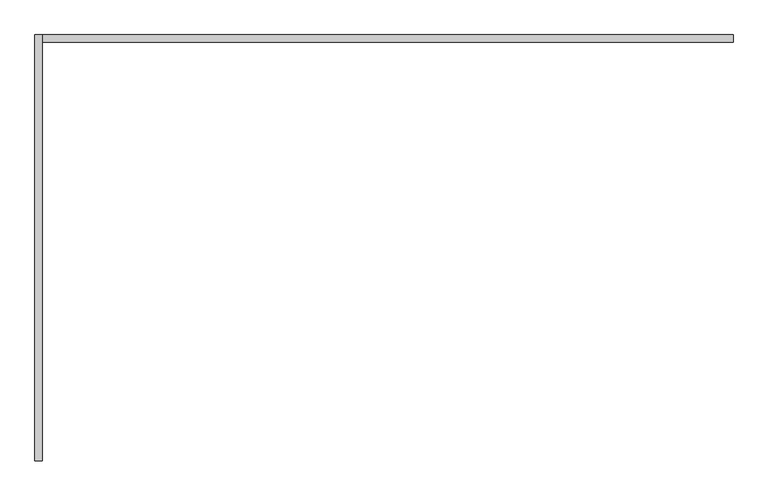
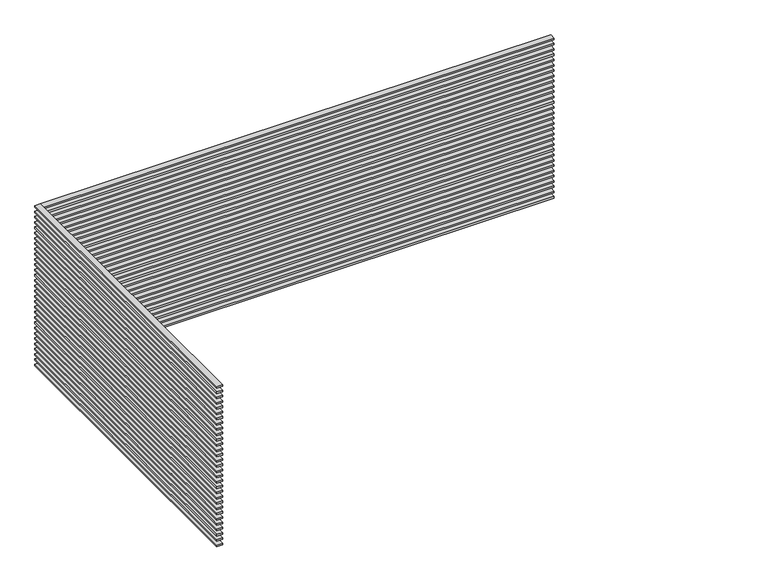
"""IFC4 building model written with IfcOpenShell, lengths in millimetres: proxy geometry."""

import ifcopenshell
import ifcopenshell.guid

model = None  # the IFC model being written
_history = None  # IfcOwnerHistory: only IFC2X3 demands one
_inside = {}  # id of a spatial element -> (the spatial element, [elements in it])
_under = {}  # id of a project, library or spatial element -> (it, [spatial elements below it])
_declared = {}  # id of a project -> (the project, [libraries it declares])
_typed = {}  # id of a type object -> (the type object, [elements of that type])
_made_of = {}  # id of a material, layer set ... -> (it, [elements and type objects made of it])


def new_model(schema):
    """Start an empty IFC model of exactly this schema.

    Asked for "IFC4X3", IfcOpenShell would pick the latest addendum, in which some entities
    have other attributes; the version numbers below select the first issue.
    IFC2X3 requires an IfcOwnerHistory on every rooted entity: one is made here for all.
    """
    global model, _history
    if schema == "IFC4X3":
        model = ifcopenshell.file(schema_version=(4, 3, 0, 0))
    else:
        model = ifcopenshell.file(schema=schema)
    _inside.clear()
    _under.clear()
    _declared.clear()
    _typed.clear()
    _made_of.clear()
    _history = None
    if model.schema == "IFC2X3":
        org = make("IfcOrganization", Name="unknown")
        user = make(
            "IfcPersonAndOrganization",
            ThePerson=make("IfcPerson", FamilyName="unknown"),
            TheOrganization=org,
        )
        app = make(
            "IfcApplication",
            ApplicationDeveloper=org,
            Version="unknown",
            ApplicationFullName="unknown",
            ApplicationIdentifier="unknown",
        )
        _history = make(
            "IfcOwnerHistory",
            OwningUser=user,
            OwningApplication=app,
            ChangeAction="ADDED",
            CreationDate=0,
        )
    return model


def make(cls, **values):
    """One entity of the class cls with the attributes given. An attribute that is None is left unset."""
    return model.create_entity(
        cls, **{name: value for name, value in values.items() if value is not None}
    )


def rooted(cls, **values):
    """An entity with a GlobalId (a new one), such as an element, a storey or a relation."""
    return make(cls, GlobalId=ifcopenshell.guid.new(), OwnerHistory=_history, **values)


def si_unit(unit_type, name, prefix=None):
    """IfcSIUnit, for example si_unit("LENGTHUNIT", "METRE", prefix="MILLI")."""
    return make("IfcSIUnit", UnitType=unit_type, Prefix=prefix, Name=name)


def assignment(units):
    """IfcUnitAssignment: the units of a project."""
    return None if units is None else make("IfcUnitAssignment", Units=units)


def point(xyz):
    """IfcCartesianPoint."""
    return None if xyz is None else make("IfcCartesianPoint", Coordinates=xyz)


def direction(xyz):
    """IfcDirection."""
    return None if xyz is None else make("IfcDirection", DirectionRatios=xyz)


def frame(location, z_axis=None, x_axis=None):
    """IfcAxis2Placement3D, a coordinate frame: its origin and axes. An axis left out is left unset."""
    return make(
        "IfcAxis2Placement3D",
        Location=point(location),
        Axis=direction(z_axis),
        RefDirection=direction(x_axis),
    )


def origin():
    """The frame at (0, 0, 0) with its axes left unset."""
    return frame((0.0, 0.0, 0.0))


def place(relative_to, where):
    """IfcLocalPlacement: puts the frame where relative to a parent placement (None: the world)."""
    return make(
        "IfcLocalPlacement", PlacementRelTo=relative_to, RelativePlacement=where
    )


def context(
    kind, dimensions, precision=None, world=None, true_north=None, identifier=None
):
    """IfcGeometricRepresentationContext, for example the 3D "Model" context."""
    return make(
        "IfcGeometricRepresentationContext",
        ContextIdentifier=identifier,
        ContextType=kind,
        CoordinateSpaceDimension=dimensions,
        Precision=precision,
        WorldCoordinateSystem=world,
        TrueNorth=true_north,
    )


def project(units=None, contexts=None):
    """IfcProject with its units and contexts."""
    return rooted(
        "IfcProject",
        Name="project",
        RepresentationContexts=contexts,
        UnitsInContext=assignment(units),
    )


def spatial(cls, under=None, at=None, **own):
    """A site, building, storey or space (cls), placed at a placement, below another one or the project."""
    s = rooted(cls, ObjectPlacement=at, **own)
    if under is not None:
        _under.setdefault(under.id(), (under, []))[1].append(s)
    return s


def polyline(points):
    """IfcPolyline through the points."""
    return make("IfcPolyline", Points=[point(p) for p in points])


def outline(outer, holes=None, kind="AREA"):
    """IfcArbitraryClosedProfileDef: a profile drawn as a closed curve; with holes, ...WithVoids."""
    if holes is None:
        return make("IfcArbitraryClosedProfileDef", ProfileType=kind, OuterCurve=outer)
    return make(
        "IfcArbitraryProfileDefWithVoids",
        ProfileType=kind,
        OuterCurve=outer,
        InnerCurves=holes,
    )


def extrude(swept, where, along, depth):
    """IfcExtrudedAreaSolid: the profile swept, set in the frame where, extruded along a direction by depth."""
    return make(
        "IfcExtrudedAreaSolid",
        SweptArea=swept,
        Position=where,
        ExtrudedDirection=direction(along),
        Depth=depth,
    )


def shape(context_of_items, identifier, shape_type, items):
    """IfcShapeRepresentation: the items that make up one representation, for example the "Body"."""
    return make(
        "IfcShapeRepresentation",
        ContextOfItems=context_of_items,
        RepresentationIdentifier=identifier,
        RepresentationType=shape_type,
        Items=items,
    )


def source(mapping_origin, context_of_items, identifier, shape_type, items):
    """IfcRepresentationMap: a shape defined once, which mapped items show again and again."""
    return make(
        "IfcRepresentationMap",
        MappingOrigin=mapping_origin,
        MappedRepresentation=shape(context_of_items, identifier, shape_type, items),
    )


def transform(
    local_origin,
    x_axis=None,
    y_axis=None,
    z_axis=None,
    scale=None,
    scale2=None,
    scale3=None,
    uniform=True,
):
    """IfcCartesianTransformationOperator3D, or its non-uniform kind. x_axis, y_axis, z_axis: its Axis1, 2, 3."""
    if uniform:
        return make(
            "IfcCartesianTransformationOperator3D",
            Axis1=direction(x_axis),
            Axis2=direction(y_axis),
            LocalOrigin=point(local_origin),
            Scale=scale,
            Axis3=direction(z_axis),
        )
    return make(
        "IfcCartesianTransformationOperator3DnonUniform",
        Axis1=direction(x_axis),
        Axis2=direction(y_axis),
        LocalOrigin=point(local_origin),
        Scale=scale,
        Axis3=direction(z_axis),
        Scale2=scale2,
        Scale3=scale3,
    )


def mapped(mapping_source, mapping_target):
    """IfcMappedItem: shows the shape of a source again, moved by a transform."""
    return make(
        "IfcMappedItem", MappingSource=mapping_source, MappingTarget=mapping_target
    )


def made_of(thing, what):
    """Note that an element or type object is made of a material, layer set ...; save() writes the relation."""
    if what is not None:
        _made_of.setdefault(what.id(), (what, []))[1].append(thing)
    return thing


def element(
    cls,
    number,
    at=None,
    inside=None,
    cuts=None,
    type_object=None,
    material=None,
    context=None,
    identifier="Body",
    shape_type=None,
    held_by="IfcProductDefinitionShape",
    body=None,
    shapes=None,
    **own,
):
    """One element of the class cls, such as IfcWall. Its Tag is "e" and its number.

    at: its placement. inside: the storey or other place that contains it. cuts: it is an
    opening in that element (IfcRelVoidsElement). A single representation is given by context,
    identifier, shape_type and body (its items); several are given by shapes. held_by: the class
    of the entity that holds the representations. save() writes the other relations.
    """
    e = rooted(cls, Tag="e%d" % number, ObjectPlacement=at, **own)
    if body is not None:
        shapes = [shape(context, identifier, shape_type, body)]
    if shapes is not None:
        e.Representation = make(held_by, Representations=shapes)
    if inside is not None:
        _inside.setdefault(inside.id(), (inside, []))[1].append(e)
    if cuts is not None:
        rooted(
            "IfcRelVoidsElement", RelatingBuildingElement=cuts, RelatedOpeningElement=e
        )
    if type_object is not None:
        _typed.setdefault(type_object.id(), (type_object, []))[1].append(e)
    return made_of(e, material)


def aggregate(whole, parts):
    """IfcRelAggregates: a whole, such as a stair, and the parts it consists of."""
    return rooted("IfcRelAggregates", RelatingObject=whole, RelatedObjects=parts)


def save(model, path):
    """Write the relations noted so far, then the file.

    IfcRelAggregates (storeys below a building ...), IfcRelContainedInSpatialStructure (elements
    in a storey), IfcRelDefinesByType, IfcRelAssociatesMaterial and IfcRelDeclares: one each for
    every whole, place, type object, material and project.
    """
    for whole, parts in _under.values():
        aggregate(whole, parts)
    for where, things in _inside.values():
        rooted(
            "IfcRelContainedInSpatialStructure",
            RelatedElements=things,
            RelatingStructure=where,
        )
    for kind, things in _typed.values():
        rooted("IfcRelDefinesByType", RelatedObjects=things, RelatingType=kind)
    for what, things in _made_of.values():
        rooted("IfcRelAssociatesMaterial", RelatedObjects=things, RelatingMaterial=what)
    for by, libraries in _declared.values():
        rooted("IfcRelDeclares", RelatingContext=by, RelatedDefinitions=libraries)
    model.write(path)


def generic_models_b61f9f31(model_context):
    return source(origin(), model_context, "Body", "SweptSolid", [
        extrude(outline(polyline([(-200.0, -5650.0), (-300.0, -5650.0), (-300.0, 0.0), (-200.0, 0.0), (-200.0, -5650.0)])), frame((0.0, 0.0, 2985.0), z_axis=(0.0, 0.0, 1.0), x_axis=(1.0, 0.0, 0.0)), (0.0, 0.0, 1.0), 30.0),
        extrude(outline(polyline([(-200.0, -5650.0), (-300.0, -5650.0), (-300.0, 0.0), (-200.0, 0.0), (-200.0, -5650.0)])), frame((0.0, 0.0, 2885.0), z_axis=(0.0, 0.0, 1.0), x_axis=(1.0, 0.0, 0.0)), (0.0, 0.0, 1.0), 30.0),
        extrude(outline(polyline([(-200.0, -5650.0), (-300.0, -5650.0), (-300.0, 0.0), (-200.0, 0.0), (-200.0, -5650.0)])), frame((0.0, 0.0, 2785.0), z_axis=(0.0, 0.0, 1.0), x_axis=(1.0, 0.0, 0.0)), (0.0, 0.0, 1.0), 30.0),
        extrude(outline(polyline([(-200.0, -5650.0), (-300.0, -5650.0), (-300.0, 0.0), (-200.0, 0.0), (-200.0, -5650.0)])), frame((0.0, 0.0, 2685.0), z_axis=(0.0, 0.0, 1.0), x_axis=(1.0, 0.0, 0.0)), (0.0, 0.0, 1.0), 30.0),
        extrude(outline(polyline([(-200.0, -5650.0), (-300.0, -5650.0), (-300.0, 0.0), (-200.0, 0.0), (-200.0, -5650.0)])), frame((0.0, 0.0, 2585.0), z_axis=(0.0, 0.0, 1.0), x_axis=(1.0, 0.0, 0.0)), (0.0, 0.0, 1.0), 30.0),
        extrude(outline(polyline([(-200.0, -5650.0), (-300.0, -5650.0), (-300.0, 0.0), (-200.0, 0.0), (-200.0, -5650.0)])), frame((0.0, 0.0, 2485.0), z_axis=(0.0, 0.0, 1.0), x_axis=(1.0, 0.0, 0.0)), (0.0, 0.0, 1.0), 30.0),
        extrude(outline(polyline([(-200.0, -5650.0), (-300.0, -5650.0), (-300.0, 0.0), (-200.0, 0.0), (-200.0, -5650.0)])), frame((0.0, 0.0, 2385.0), z_axis=(0.0, 0.0, 1.0), x_axis=(1.0, 0.0, 0.0)), (0.0, 0.0, 1.0), 30.0),
        extrude(outline(polyline([(-200.0, -5650.0), (-300.0, -5650.0), (-300.0, 0.0), (-200.0, 0.0), (-200.0, -5650.0)])), frame((0.0, 0.0, 2285.0), z_axis=(0.0, 0.0, 1.0), x_axis=(1.0, 0.0, 0.0)), (0.0, 0.0, 1.0), 30.0),
        extrude(outline(polyline([(-200.0, -5650.0), (-300.0, -5650.0), (-300.0, 0.0), (-200.0, 0.0), (-200.0, -5650.0)])), frame((0.0, 0.0, 2185.0), z_axis=(0.0, 0.0, 1.0), x_axis=(1.0, 0.0, 0.0)), (0.0, 0.0, 1.0), 30.0),
        extrude(outline(polyline([(-200.0, -5650.0), (-300.0, -5650.0), (-300.0, 0.0), (-200.0, 0.0), (-200.0, -5650.0)])), frame((0.0, 0.0, 2085.0), z_axis=(0.0, 0.0, 1.0), x_axis=(1.0, 0.0, 0.0)), (0.0, 0.0, 1.0), 30.0),
        extrude(outline(polyline([(-200.0, -5650.0), (-300.0, -5650.0), (-300.0, 0.0), (-200.0, 0.0), (-200.0, -5650.0)])), frame((0.0, 0.0, 1985.0), z_axis=(0.0, 0.0, 1.0), x_axis=(1.0, 0.0, 0.0)), (0.0, 0.0, 1.0), 30.0),
        extrude(outline(polyline([(-200.0, -5650.0), (-300.0, -5650.0), (-300.0, 0.0), (-200.0, 0.0), (-200.0, -5650.0)])), frame((0.0, 0.0, 1885.0), z_axis=(0.0, 0.0, 1.0), x_axis=(1.0, 0.0, 0.0)), (0.0, 0.0, 1.0), 30.0),
        extrude(outline(polyline([(-200.0, -5650.0), (-300.0, -5650.0), (-300.0, 0.0), (-200.0, 0.0), (-200.0, -5650.0)])), frame((0.0, 0.0, 1785.0), z_axis=(0.0, 0.0, 1.0), x_axis=(1.0, 0.0, 0.0)), (0.0, 0.0, 1.0), 30.0),
        extrude(outline(polyline([(-200.0, -5650.0), (-300.0, -5650.0), (-300.0, 0.0), (-200.0, 0.0), (-200.0, -5650.0)])), frame((0.0, 0.0, 1685.0), z_axis=(0.0, 0.0, 1.0), x_axis=(1.0, 0.0, 0.0)), (0.0, 0.0, 1.0), 30.0),
        extrude(outline(polyline([(-200.0, -5650.0), (-300.0, -5650.0), (-300.0, 0.0), (-200.0, 0.0), (-200.0, -5650.0)])), frame((0.0, 0.0, 1585.0), z_axis=(0.0, 0.0, 1.0), x_axis=(1.0, 0.0, 0.0)), (0.0, 0.0, 1.0), 30.0),
        extrude(outline(polyline([(-200.0, -5650.0), (-300.0, -5650.0), (-300.0, 0.0), (-200.0, 0.0), (-200.0, -5650.0)])), frame((0.0, 0.0, 1485.0), z_axis=(0.0, 0.0, 1.0), x_axis=(1.0, 0.0, 0.0)), (0.0, 0.0, 1.0), 30.0),
        extrude(outline(polyline([(-200.0, -5650.0), (-300.0, -5650.0), (-300.0, 0.0), (-200.0, 0.0), (-200.0, -5650.0)])), frame((0.0, 0.0, 1385.0), z_axis=(0.0, 0.0, 1.0), x_axis=(1.0, 0.0, 0.0)), (0.0, 0.0, 1.0), 30.0),
        extrude(outline(polyline([(-200.0, -5650.0), (-300.0, -5650.0), (-300.0, 0.0), (-200.0, 0.0), (-200.0, -5650.0)])), frame((0.0, 0.0, 1285.0), z_axis=(0.0, 0.0, 1.0), x_axis=(1.0, 0.0, 0.0)), (0.0, 0.0, 1.0), 30.0),
        extrude(outline(polyline([(-200.0, -5650.0), (-300.0, -5650.0), (-300.0, 0.0), (-200.0, 0.0), (-200.0, -5650.0)])), frame((0.0, 0.0, 1185.0), z_axis=(0.0, 0.0, 1.0), x_axis=(1.0, 0.0, 0.0)), (0.0, 0.0, 1.0), 30.0),
        extrude(outline(polyline([(-200.0, -5650.0), (-300.0, -5650.0), (-300.0, 0.0), (-200.0, 0.0), (-200.0, -5650.0)])), frame((0.0, 0.0, 1085.0), z_axis=(0.0, 0.0, 1.0), x_axis=(1.0, 0.0, 0.0)), (0.0, 0.0, 1.0), 30.0),
        extrude(outline(polyline([(-200.0, -5650.0), (-300.0, -5650.0), (-300.0, 0.0), (-200.0, 0.0), (-200.0, -5650.0)])), frame((0.0, 0.0, 985.0), z_axis=(0.0, 0.0, 1.0), x_axis=(1.0, 0.0, 0.0)), (0.0, 0.0, 1.0), 30.0),
        extrude(outline(polyline([(-200.0, -5650.0), (-300.0, -5650.0), (-300.0, 0.0), (-200.0, 0.0), (-200.0, -5650.0)])), frame((0.0, 0.0, 885.0), z_axis=(0.0, 0.0, 1.0), x_axis=(1.0, 0.0, 0.0)), (0.0, 0.0, 1.0), 30.0),
        extrude(outline(polyline([(-200.0, -5650.0), (-300.0, -5650.0), (-300.0, 0.0), (-200.0, 0.0), (-200.0, -5650.0)])), frame((0.0, 0.0, 785.0), z_axis=(0.0, 0.0, 1.0), x_axis=(1.0, 0.0, 0.0)), (0.0, 0.0, 1.0), 30.0),
        extrude(outline(polyline([(-200.0, -5650.0), (-300.0, -5650.0), (-300.0, 0.0), (-200.0, 0.0), (-200.0, -5650.0)])), frame((0.0, 0.0, 685.0), z_axis=(0.0, 0.0, 1.0), x_axis=(1.0, 0.0, 0.0)), (0.0, 0.0, 1.0), 30.0),
        extrude(outline(polyline([(-200.0, -5650.0), (-300.0, -5650.0), (-300.0, 0.0), (-200.0, 0.0), (-200.0, -5650.0)])), frame((0.0, 0.0, 585.0), z_axis=(0.0, 0.0, 1.0), x_axis=(1.0, 0.0, 0.0)), (0.0, 0.0, 1.0), 30.0),
        extrude(outline(polyline([(-200.0, -5650.0), (-300.0, -5650.0), (-300.0, 0.0), (-200.0, 0.0), (-200.0, -5650.0)])), frame((0.0, 0.0, 485.0), z_axis=(0.0, 0.0, 1.0), x_axis=(1.0, 0.0, 0.0)), (0.0, 0.0, 1.0), 30.0),
        extrude(outline(polyline([(-200.0, -5650.0), (-300.0, -5650.0), (-300.0, 0.0), (-200.0, 0.0), (-200.0, -5650.0)])), frame((0.0, 0.0, 385.0), z_axis=(0.0, 0.0, 1.0), x_axis=(1.0, 0.0, 0.0)), (0.0, 0.0, 1.0), 30.0),
        extrude(outline(polyline([(-200.0, -5650.0), (-300.0, -5650.0), (-300.0, 0.0), (-200.0, 0.0), (-200.0, -5650.0)])), frame((0.0, 0.0, 285.0), z_axis=(0.0, 0.0, 1.0), x_axis=(1.0, 0.0, 0.0)), (0.0, 0.0, 1.0), 30.0),
        extrude(outline(polyline([(-200.0, -5650.0), (-300.0, -5650.0), (-300.0, 0.0), (-200.0, 0.0), (-200.0, -5650.0)])), frame((0.0, 0.0, 185.0), z_axis=(0.0, 0.0, 1.0), x_axis=(1.0, 0.0, 0.0)), (0.0, 0.0, 1.0), 30.0),
        extrude(outline(polyline([(-200.0, -5650.0), (-300.0, -5650.0), (-300.0, 0.0), (-200.0, 0.0), (-200.0, -5650.0)])), frame((0.0, 0.0, 85.0), z_axis=(0.0, 0.0, 1.0), x_axis=(1.0, 0.0, 0.0)), (0.0, 0.0, 1.0), 30.0),
        extrude(outline(polyline([(-200.0, -5650.0), (-300.0, -5650.0), (-300.0, 0.0), (-200.0, 0.0), (-200.0, -5650.0)])), frame((0.0, 0.0, -15.0), z_axis=(0.0, 0.0, 1.0), x_axis=(1.0, 0.0, 0.0)), (0.0, 0.0, 1.0), 30.0),
        extrude(outline(polyline([(-200.0, -100.0), (-200.0, 0.0), (8950.0, 0.0), (8950.0, -100.0), (-200.0, -100.0)])), frame((0.0, 0.0, 2985.0), z_axis=(0.0, 0.0, 1.0), x_axis=(1.0, 0.0, 0.0)), (0.0, 0.0, 1.0), 30.0),
        extrude(outline(polyline([(-200.0, -100.0), (-200.0, 0.0), (8950.0, 0.0), (8950.0, -100.0), (-200.0, -100.0)])), frame((0.0, 0.0, 2885.0), z_axis=(0.0, 0.0, 1.0), x_axis=(1.0, 0.0, 0.0)), (0.0, 0.0, 1.0), 30.0),
        extrude(outline(polyline([(-200.0, -100.0), (-200.0, 0.0), (8950.0, 0.0), (8950.0, -100.0), (-200.0, -100.0)])), frame((0.0, 0.0, 2785.0), z_axis=(0.0, 0.0, 1.0), x_axis=(1.0, 0.0, 0.0)), (0.0, 0.0, 1.0), 30.0),
        extrude(outline(polyline([(-200.0, -100.0), (-200.0, 0.0), (8950.0, 0.0), (8950.0, -100.0), (-200.0, -100.0)])), frame((0.0, 0.0, 2685.0), z_axis=(0.0, 0.0, 1.0), x_axis=(1.0, 0.0, 0.0)), (0.0, 0.0, 1.0), 30.0),
        extrude(outline(polyline([(-200.0, -100.0), (-200.0, 0.0), (8950.0, 0.0), (8950.0, -100.0), (-200.0, -100.0)])), frame((0.0, 0.0, 2585.0), z_axis=(0.0, 0.0, 1.0), x_axis=(1.0, 0.0, 0.0)), (0.0, 0.0, 1.0), 30.0),
        extrude(outline(polyline([(-200.0, -100.0), (-200.0, 0.0), (8950.0, 0.0), (8950.0, -100.0), (-200.0, -100.0)])), frame((0.0, 0.0, 2485.0), z_axis=(0.0, 0.0, 1.0), x_axis=(1.0, 0.0, 0.0)), (0.0, 0.0, 1.0), 30.0),
        extrude(outline(polyline([(-200.0, -100.0), (-200.0, 0.0), (8950.0, 0.0), (8950.0, -100.0), (-200.0, -100.0)])), frame((0.0, 0.0, 2385.0), z_axis=(0.0, 0.0, 1.0), x_axis=(1.0, 0.0, 0.0)), (0.0, 0.0, 1.0), 30.0),
        extrude(outline(polyline([(-200.0, -100.0), (-200.0, 0.0), (8950.0, 0.0), (8950.0, -100.0), (-200.0, -100.0)])), frame((0.0, 0.0, 2285.0), z_axis=(0.0, 0.0, 1.0), x_axis=(1.0, 0.0, 0.0)), (0.0, 0.0, 1.0), 30.0),
        extrude(outline(polyline([(-200.0, -100.0), (-200.0, 0.0), (8950.0, 0.0), (8950.0, -100.0), (-200.0, -100.0)])), frame((0.0, 0.0, 2185.0), z_axis=(0.0, 0.0, 1.0), x_axis=(1.0, 0.0, 0.0)), (0.0, 0.0, 1.0), 30.0),
        extrude(outline(polyline([(-200.0, -100.0), (-200.0, 0.0), (8950.0, 0.0), (8950.0, -100.0), (-200.0, -100.0)])), frame((0.0, 0.0, 2085.0), z_axis=(0.0, 0.0, 1.0), x_axis=(1.0, 0.0, 0.0)), (0.0, 0.0, 1.0), 30.0),
        extrude(outline(polyline([(-200.0, -100.0), (-200.0, 0.0), (8950.0, 0.0), (8950.0, -100.0), (-200.0, -100.0)])), frame((0.0, 0.0, 1985.0), z_axis=(0.0, 0.0, 1.0), x_axis=(1.0, 0.0, 0.0)), (0.0, 0.0, 1.0), 30.0),
        extrude(outline(polyline([(-200.0, -100.0), (-200.0, 0.0), (8950.0, 0.0), (8950.0, -100.0), (-200.0, -100.0)])), frame((0.0, 0.0, 1885.0), z_axis=(0.0, 0.0, 1.0), x_axis=(1.0, 0.0, 0.0)), (0.0, 0.0, 1.0), 30.0),
        extrude(outline(polyline([(-200.0, -100.0), (-200.0, 0.0), (8950.0, 0.0), (8950.0, -100.0), (-200.0, -100.0)])), frame((0.0, 0.0, 1785.0), z_axis=(0.0, 0.0, 1.0), x_axis=(1.0, 0.0, 0.0)), (0.0, 0.0, 1.0), 30.0),
        extrude(outline(polyline([(-200.0, -100.0), (-200.0, 0.0), (8950.0, 0.0), (8950.0, -100.0), (-200.0, -100.0)])), frame((0.0, 0.0, 1685.0), z_axis=(0.0, 0.0, 1.0), x_axis=(1.0, 0.0, 0.0)), (0.0, 0.0, 1.0), 30.0),
        extrude(outline(polyline([(-200.0, -100.0), (-200.0, 0.0), (8950.0, 0.0), (8950.0, -100.0), (-200.0, -100.0)])), frame((0.0, 0.0, 1585.0), z_axis=(0.0, 0.0, 1.0), x_axis=(1.0, 0.0, 0.0)), (0.0, 0.0, 1.0), 30.0),
        extrude(outline(polyline([(-200.0, -100.0), (-200.0, 0.0), (8950.0, 0.0), (8950.0, -100.0), (-200.0, -100.0)])), frame((0.0, 0.0, 1485.0), z_axis=(0.0, 0.0, 1.0), x_axis=(1.0, 0.0, 0.0)), (0.0, 0.0, 1.0), 30.0),
        extrude(outline(polyline([(-200.0, -100.0), (-200.0, 0.0), (8950.0, 0.0), (8950.0, -100.0), (-200.0, -100.0)])), frame((0.0, 0.0, 1385.0), z_axis=(0.0, 0.0, 1.0), x_axis=(1.0, 0.0, 0.0)), (0.0, 0.0, 1.0), 30.0),
        extrude(outline(polyline([(-200.0, -100.0), (-200.0, 0.0), (8950.0, 0.0), (8950.0, -100.0), (-200.0, -100.0)])), frame((0.0, 0.0, 1285.0), z_axis=(0.0, 0.0, 1.0), x_axis=(1.0, 0.0, 0.0)), (0.0, 0.0, 1.0), 30.0),
        extrude(outline(polyline([(-200.0, -100.0), (-200.0, 0.0), (8950.0, 0.0), (8950.0, -100.0), (-200.0, -100.0)])), frame((0.0, 0.0, 1185.0), z_axis=(0.0, 0.0, 1.0), x_axis=(1.0, 0.0, 0.0)), (0.0, 0.0, 1.0), 30.0),
        extrude(outline(polyline([(-200.0, -100.0), (-200.0, 0.0), (8950.0, 0.0), (8950.0, -100.0), (-200.0, -100.0)])), frame((0.0, 0.0, 1085.0), z_axis=(0.0, 0.0, 1.0), x_axis=(1.0, 0.0, 0.0)), (0.0, 0.0, 1.0), 30.0),
        extrude(outline(polyline([(-200.0, -100.0), (-200.0, 0.0), (8950.0, 0.0), (8950.0, -100.0), (-200.0, -100.0)])), frame((0.0, 0.0, 985.0), z_axis=(0.0, 0.0, 1.0), x_axis=(1.0, 0.0, 0.0)), (0.0, 0.0, 1.0), 30.0),
        extrude(outline(polyline([(-200.0, -100.0), (-200.0, 0.0), (8950.0, 0.0), (8950.0, -100.0), (-200.0, -100.0)])), frame((0.0, 0.0, 885.0), z_axis=(0.0, 0.0, 1.0), x_axis=(1.0, 0.0, 0.0)), (0.0, 0.0, 1.0), 30.0),
        extrude(outline(polyline([(-200.0, -100.0), (-200.0, 0.0), (8950.0, 0.0), (8950.0, -100.0), (-200.0, -100.0)])), frame((0.0, 0.0, 785.0), z_axis=(0.0, 0.0, 1.0), x_axis=(1.0, 0.0, 0.0)), (0.0, 0.0, 1.0), 30.0),
        extrude(outline(polyline([(-200.0, -100.0), (-200.0, 0.0), (8950.0, 0.0), (8950.0, -100.0), (-200.0, -100.0)])), frame((0.0, 0.0, 685.0), z_axis=(0.0, 0.0, 1.0), x_axis=(1.0, 0.0, 0.0)), (0.0, 0.0, 1.0), 30.0),
        extrude(outline(polyline([(-200.0, -100.0), (-200.0, 0.0), (8950.0, 0.0), (8950.0, -100.0), (-200.0, -100.0)])), frame((0.0, 0.0, 585.0), z_axis=(0.0, 0.0, 1.0), x_axis=(1.0, 0.0, 0.0)), (0.0, 0.0, 1.0), 30.0),
        extrude(outline(polyline([(-200.0, -100.0), (-200.0, 0.0), (8950.0, 0.0), (8950.0, -100.0), (-200.0, -100.0)])), frame((0.0, 0.0, 485.0), z_axis=(0.0, 0.0, 1.0), x_axis=(1.0, 0.0, 0.0)), (0.0, 0.0, 1.0), 30.0),
        extrude(outline(polyline([(-200.0, -100.0), (-200.0, 0.0), (8950.0, 0.0), (8950.0, -100.0), (-200.0, -100.0)])), frame((0.0, 0.0, 385.0), z_axis=(0.0, 0.0, 1.0), x_axis=(1.0, 0.0, 0.0)), (0.0, 0.0, 1.0), 30.0),
        extrude(outline(polyline([(-200.0, -100.0), (-200.0, 0.0), (8950.0, 0.0), (8950.0, -100.0), (-200.0, -100.0)])), frame((0.0, 0.0, 285.0), z_axis=(0.0, 0.0, 1.0), x_axis=(1.0, 0.0, 0.0)), (0.0, 0.0, 1.0), 30.0),
        extrude(outline(polyline([(-200.0, -100.0), (-200.0, 0.0), (8950.0, 0.0), (8950.0, -100.0), (-200.0, -100.0)])), frame((0.0, 0.0, 185.0), z_axis=(0.0, 0.0, 1.0), x_axis=(1.0, 0.0, 0.0)), (0.0, 0.0, 1.0), 30.0),
        extrude(outline(polyline([(-200.0, -100.0), (-200.0, 0.0), (8950.0, 0.0), (8950.0, -100.0), (-200.0, -100.0)])), frame((0.0, 0.0, 85.0), z_axis=(0.0, 0.0, 1.0), x_axis=(1.0, 0.0, 0.0)), (0.0, 0.0, 1.0), 30.0),
        extrude(outline(polyline([(-200.0, -100.0), (-200.0, 0.0), (8950.0, 0.0), (8950.0, -100.0), (-200.0, -100.0)])), frame((0.0, 0.0, -15.0), z_axis=(0.0, 0.0, 1.0), x_axis=(1.0, 0.0, 0.0)), (0.0, 0.0, 1.0), 30.0),
    ])


if __name__ == "__main__":
    model = new_model("IFC4")
    model_context = context("Model", 3, world=origin())
    ifc_project = project(units=[si_unit("LENGTHUNIT", "METRE", prefix="MILLI")], contexts=[model_context])
    site = spatial("IfcSite", under=ifc_project)
    building = spatial("IfcBuilding", under=site)
    placement = place(None, origin())
    generic_models_shape = generic_models_b61f9f31(model_context)
    element("IfcBuildingElementProxy", 1, Name="Generic Models", at=placement, inside=building, context=model_context, shape_type="MappedRepresentation", body=[
        mapped(generic_models_shape, transform((0.0, 0.0, 0.0), x_axis=(1.0, 0.0, 0.0), y_axis=(0.0, 1.0, 0.0), z_axis=(0.0, 0.0, 1.0))),
    ])
    save(model, "model.ifc")
